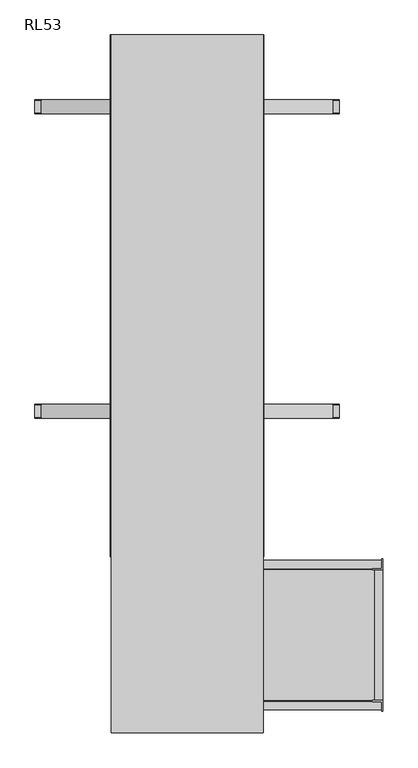
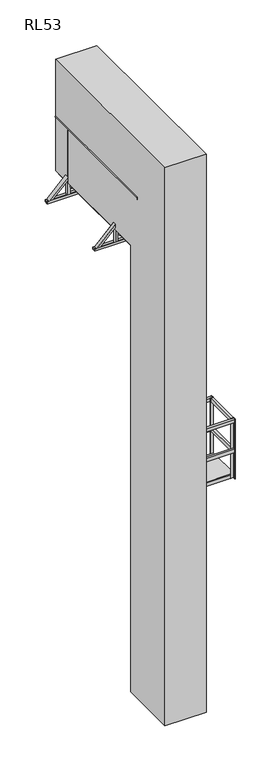
"""IFC4 building model written with IfcOpenShell, lengths in millimetres: proxy geometry, RL53."""

from ifc_helpers import new_model, si_unit, point, frame, frame_2d, origin, place, context, project, spatial, polyline, circle_curve, trimmed, segment, composite_curve, outline, extrude, faceted_brep, source, transform, mapped, element, save
from ifc_brep_helpers import plane_surface, cylinder_surface, advanced_brep


def rl53_9308b877(model_context):
    return source(origin(), model_context, "Body", "SolidModel", [
        extrude(outline(polyline([(900.5, -59.5), (900.5, -659.5), (300.5, -659.5), (300.5, -59.5), (900.5, -59.5)])), frame((0.0, 0.0, 3987.0), z_axis=(0.0, 0.0, 1.0), x_axis=(1.0, 0.0, 0.0)), (0.0, 0.0, 1.0), 13.0),
        extrude(outline(polyline([(900.5, -659.5), (862.5, -659.5), (862.5, -59.5), (900.5, -59.5), (900.5, -659.5)])), frame((0.0, 0.0, 4403.0), z_axis=(0.0, 0.0, 1.0), x_axis=(1.0, 0.0, 0.0)), (0.0, 0.0, 1.0), 58.0),
        extrude(outline(polyline([(894.5, -15.5), (894.5, -53.5), (306.5, -53.5), (306.5, -15.5), (894.5, -15.5)])), frame((0.0, 0.0, 4403.0), z_axis=(0.0, 0.0, 1.0), x_axis=(1.0, 0.0, 0.0)), (0.0, 0.0, 1.0), 58.0),
        extrude(outline(polyline([(894.5, -15.5), (894.5, -53.5), (306.5, -53.5), (306.5, -15.5), (894.5, -15.5)])), frame((0.0, 0.0, 4934.0), z_axis=(0.0, 0.0, 1.0), x_axis=(1.0, 0.0, 0.0)), (0.0, 0.0, 1.0), 58.0),
        extrude(outline(polyline([(900.5, -659.5), (862.5, -659.5), (862.5, -59.5), (900.5, -59.5), (900.5, -659.5)])), frame((0.0, 0.0, 4934.0), z_axis=(0.0, 0.0, 1.0), x_axis=(1.0, 0.0, 0.0)), (0.0, 0.0, 1.0), 58.0),
        extrude(outline(polyline([(850.5, -59.5), (850.5, -53.5), (894.5, -53.5), (894.5, -9.5), (900.5, -9.5), (900.5, -59.5), (850.5, -59.5)])), frame((0.0, 0.0, 3929.0), z_axis=(0.0, 0.0, 1.0), x_axis=(1.0, 0.0, 0.0)), (0.0, 0.0, 1.0), 1071.0),
        extrude(outline(polyline([(350.5, -659.5), (350.5, -665.5), (306.5, -665.5), (306.5, -709.5), (300.5, -709.5), (300.5, -659.5), (350.5, -659.5)])), frame((0.0, 0.0, 3929.0), z_axis=(0.0, 0.0, 1.0), x_axis=(1.0, 0.0, 0.0)), (0.0, 0.0, 1.0), 1071.0),
        extrude(outline(polyline([(850.5, -659.5), (900.5, -659.5), (900.5, -709.5), (894.5, -709.5), (894.5, -665.5), (850.5, -665.5), (850.5, -659.5)])), frame((0.0, 0.0, 3929.0), z_axis=(0.0, 0.0, 1.0), x_axis=(1.0, 0.0, 0.0)), (0.0, 0.0, 1.0), 1071.0),
        extrude(outline(polyline([(0.0, -50.0), (0.0, 0.0), (50.0, 0.0), (50.0, -5.0), (5.0, -5.0), (5.0, -50.0), (0.0, -50.0)])), frame((300.5, -9.5, 2949.0), z_axis=(0.0, -0.5466781976615285, 0.8373427901412556), x_axis=(1.0, 0.0, 0.0)), (0.0, 0.0, 1.0), 1188.9993103),
        extrude(outline(polyline([(350.5, -59.5), (300.5, -59.5), (300.5, -9.5), (306.5, -9.5), (306.5, -53.5), (350.5, -53.5), (350.5, -59.5)])), frame((0.0, 0.0, 3929.0), z_axis=(0.0, 0.0, 1.0), x_axis=(1.0, 0.0, 0.0)), (0.0, 0.0, 1.0), 1071.0),
        extrude(outline(polyline([(862.5, -59.5), (862.5, -97.5), (338.5, -97.5), (338.5, -59.5), (862.5, -59.5)])), frame((0.0, 0.0, 3929.0), z_axis=(0.0, 0.0, 1.0), x_axis=(1.0, 0.0, 0.0)), (0.0, 0.0, 1.0), 58.0),
        extrude(outline(polyline([(338.5, -659.5), (300.5, -659.5), (300.5, -59.5), (338.5, -59.5), (338.5, -659.5)])), frame((0.0, 0.0, 3929.0), z_axis=(0.0, 0.0, 1.0), x_axis=(1.0, 0.0, 0.0)), (0.0, 0.0, 1.0), 58.0),
        extrude(outline(polyline([(900.5, -659.5), (862.5, -659.5), (862.5, -59.5), (900.5, -59.5), (900.5, -659.5)])), frame((0.0, 0.0, 3929.0), z_axis=(0.0, 0.0, 1.0), x_axis=(1.0, 0.0, 0.0)), (0.0, 0.0, 1.0), 58.0),
        extrude(outline(polyline([(894.5, -621.5), (894.5, -659.5), (306.5, -659.5), (306.5, -621.5), (894.5, -621.5)])), frame((0.0, 0.0, 3929.0), z_axis=(0.0, 0.0, 1.0), x_axis=(1.0, 0.0, 0.0)), (0.0, 0.0, 1.0), 58.0),
        extrude(outline(polyline([(894.5, -665.5), (894.5, -703.5), (306.5, -703.5), (306.5, -665.5), (894.5, -665.5)])), frame((0.0, 0.0, 4403.0), z_axis=(0.0, 0.0, 1.0), x_axis=(1.0, 0.0, 0.0)), (0.0, 0.0, 1.0), 58.0),
        extrude(outline(polyline([(894.5, -665.5), (894.5, -703.5), (306.5, -703.5), (306.5, -665.5), (894.5, -665.5)])), frame((0.0, 0.0, 4934.0), z_axis=(0.0, 0.0, 1.0), x_axis=(1.0, 0.0, 0.0)), (0.0, 0.0, 1.0), 58.0),
        extrude(outline(polyline([(0.0, 2405.0), (0.0, 2347.0), (-5.0, 2347.0), (-5.0, 2400.0), (-91.0, 2400.0), (-91.0, 2405.0), (0.0, 2405.0)])), frame((-262.5, 0.0, 0.0), z_axis=(1.0, 0.0, 0.0), x_axis=(0.0, 1.0, 0.0)), (0.0, 0.0, 1.0), 525.0),
        extrude(outline(polyline([(262.5, -93.0), (-262.5, -93.0), (-262.5, -91.0), (262.5, -91.0), (262.5, -93.0)])), frame((0.0, 0.0, 110.0), z_axis=(0.0, 0.0, 1.0), x_axis=(1.0, 0.0, 0.0)), (0.0, 0.0, 1.0), 2295.0),
        extrude(outline(polyline([(262.5, -91.0), (204.5, -91.0), (204.5, -53.0), (262.5, -53.0), (262.5, -91.0)])), frame((0.0, 0.0, 110.0), z_axis=(0.0, 0.0, 1.0), x_axis=(1.0, 0.0, 0.0)), (0.0, 0.0, 1.0), 2285.0),
        extrude(outline(polyline([(-204.5, -91.0), (-262.5, -91.0), (-262.5, -53.0), (-204.5, -53.0), (-204.5, -91.0)])), frame((0.0, 0.0, 110.0), z_axis=(0.0, 0.0, 1.0), x_axis=(1.0, 0.0, 0.0)), (0.0, 0.0, 1.0), 2285.0),
        extrude(outline(composite_curve([segment(polyline([(-53.0, 7679.3703704), (-53.0, 7696.3703704)]), True, "CONTINUOUS"), segment(trimmed(circle_curve(frame_2d((-30.5, 7683.3992165)), 25.9711538), [point((-53.0, 7696.3703704))], [point((-8.0, 7696.3703704))], False, "CARTESIAN"), True, "CONTINUOUS"), segment(polyline([(-8.0, 7696.3703704), (-8.0, 7679.3703704), (-53.0, 7679.3703704)]), True, "CONTINUOUS")], self_intersect=False)), frame((-262.0, 0.0, 0.0), z_axis=(1.0, 0.0, 0.0), x_axis=(0.0, 1.0, 0.0)), (0.0, 0.0, 1.0), 524.0),
        extrude(outline(composite_curve([segment(polyline([(-53.0, 7388.7407407), (-53.0, 7405.7407407)]), True, "CONTINUOUS"), segment(trimmed(circle_curve(frame_2d((-30.5, 7392.7695869)), 25.9711538), [point((-53.0, 7405.7407407))], [point((-8.0, 7405.7407407))], False, "CARTESIAN"), True, "CONTINUOUS"), segment(polyline([(-8.0, 7405.7407407), (-8.0, 7388.7407407), (-53.0, 7388.7407407)]), True, "CONTINUOUS")], self_intersect=False)), frame((-262.0, 0.0, 0.0), z_axis=(1.0, 0.0, 0.0), x_axis=(0.0, 1.0, 0.0)), (0.0, 0.0, 1.0), 524.0),
        extrude(outline(composite_curve([segment(polyline([(-53.0, 7098.1111111), (-53.0, 7115.1111111)]), True, "CONTINUOUS"), segment(trimmed(circle_curve(frame_2d((-30.5, 7102.1399573)), 25.9711538), [point((-53.0, 7115.1111111))], [point((-8.0, 7115.1111111))], False, "CARTESIAN"), True, "CONTINUOUS"), segment(polyline([(-8.0, 7115.1111111), (-8.0, 7098.1111111), (-53.0, 7098.1111111)]), True, "CONTINUOUS")], self_intersect=False)), frame((-262.0, 0.0, 0.0), z_axis=(1.0, 0.0, 0.0), x_axis=(0.0, 1.0, 0.0)), (0.0, 0.0, 1.0), 524.0),
        extrude(outline(composite_curve([segment(polyline([(-53.0, 6807.4814815), (-53.0, 6824.4814815)]), True, "CONTINUOUS"), segment(trimmed(circle_curve(frame_2d((-30.5, 6811.5103276)), 25.9711538), [point((-53.0, 6824.4814815))], [point((-8.0, 6824.4814815))], False, "CARTESIAN"), True, "CONTINUOUS"), segment(polyline([(-8.0, 6824.4814815), (-8.0, 6807.4814815), (-53.0, 6807.4814815)]), True, "CONTINUOUS")], self_intersect=False)), frame((-262.0, 0.0, 0.0), z_axis=(1.0, 0.0, 0.0), x_axis=(0.0, 1.0, 0.0)), (0.0, 0.0, 1.0), 524.0),
        extrude(outline(composite_curve([segment(polyline([(-53.0, 6516.8518519), (-53.0, 6533.8518519)]), True, "CONTINUOUS"), segment(trimmed(circle_curve(frame_2d((-30.5, 6520.880698)), 25.9711538), [point((-53.0, 6533.8518519))], [point((-8.0, 6533.8518519))], False, "CARTESIAN"), True, "CONTINUOUS"), segment(polyline([(-8.0, 6533.8518519), (-8.0, 6516.8518519), (-53.0, 6516.8518519)]), True, "CONTINUOUS")], self_intersect=False)), frame((-262.0, 0.0, 0.0), z_axis=(1.0, 0.0, 0.0), x_axis=(0.0, 1.0, 0.0)), (0.0, 0.0, 1.0), 524.0),
        extrude(outline(composite_curve([segment(polyline([(-53.0, 6226.2222222), (-53.0, 6243.2222222)]), True, "CONTINUOUS"), segment(trimmed(circle_curve(frame_2d((-30.5, 6230.2510684)), 25.9711538), [point((-53.0, 6243.2222222))], [point((-8.0, 6243.2222222))], False, "CARTESIAN"), True, "CONTINUOUS"), segment(polyline([(-8.0, 6243.2222222), (-8.0, 6226.2222222), (-53.0, 6226.2222222)]), True, "CONTINUOUS")], self_intersect=False)), frame((-262.0, 0.0, 0.0), z_axis=(1.0, 0.0, 0.0), x_axis=(0.0, 1.0, 0.0)), (0.0, 0.0, 1.0), 524.0),
        extrude(outline(composite_curve([segment(polyline([(-53.0, 5935.5925926), (-53.0, 5952.5925926)]), True, "CONTINUOUS"), segment(trimmed(circle_curve(frame_2d((-30.5, 5939.6214387)), 25.9711538), [point((-53.0, 5952.5925926))], [point((-8.0, 5952.5925926))], False, "CARTESIAN"), True, "CONTINUOUS"), segment(polyline([(-8.0, 5952.5925926), (-8.0, 5935.5925926), (-53.0, 5935.5925926)]), True, "CONTINUOUS")], self_intersect=False)), frame((-262.0, 0.0, 0.0), z_axis=(1.0, 0.0, 0.0), x_axis=(0.0, 1.0, 0.0)), (0.0, 0.0, 1.0), 524.0),
        extrude(outline(composite_curve([segment(polyline([(-53.0, 5644.962963), (-53.0, 5661.962963)]), True, "CONTINUOUS"), segment(trimmed(circle_curve(frame_2d((-30.5, 5648.9918091)), 25.9711538), [point((-53.0, 5661.962963))], [point((-8.0, 5661.962963))], False, "CARTESIAN"), True, "CONTINUOUS"), segment(polyline([(-8.0, 5661.962963), (-8.0, 5644.962963), (-53.0, 5644.962963)]), True, "CONTINUOUS")], self_intersect=False)), frame((-262.0, 0.0, 0.0), z_axis=(1.0, 0.0, 0.0), x_axis=(0.0, 1.0, 0.0)), (0.0, 0.0, 1.0), 524.0),
        extrude(outline(composite_curve([segment(polyline([(-53.0, 5354.3333333), (-53.0, 5371.3333333)]), True, "CONTINUOUS"), segment(trimmed(circle_curve(frame_2d((-30.5, 5358.3621795)), 25.9711538), [point((-53.0, 5371.3333333))], [point((-8.0, 5371.3333333))], False, "CARTESIAN"), True, "CONTINUOUS"), segment(polyline([(-8.0, 5371.3333333), (-8.0, 5354.3333333), (-53.0, 5354.3333333)]), True, "CONTINUOUS")], self_intersect=False)), frame((-262.0, 0.0, 0.0), z_axis=(1.0, 0.0, 0.0), x_axis=(0.0, 1.0, 0.0)), (0.0, 0.0, 1.0), 524.0),
        extrude(outline(composite_curve([segment(polyline([(-53.0, 5063.7037037), (-53.0, 5080.7037037)]), True, "CONTINUOUS"), segment(trimmed(circle_curve(frame_2d((-30.5, 5067.7325499)), 25.9711538), [point((-53.0, 5080.7037037))], [point((-8.0, 5080.7037037))], False, "CARTESIAN"), True, "CONTINUOUS"), segment(polyline([(-8.0, 5080.7037037), (-8.0, 5063.7037037), (-53.0, 5063.7037037)]), True, "CONTINUOUS")], self_intersect=False)), frame((-262.0, 0.0, 0.0), z_axis=(1.0, 0.0, 0.0), x_axis=(0.0, 1.0, 0.0)), (0.0, 0.0, 1.0), 524.0),
        extrude(outline(composite_curve([segment(polyline([(-53.0, 4773.0740741), (-53.0, 4790.0740741)]), True, "CONTINUOUS"), segment(trimmed(circle_curve(frame_2d((-30.5, 4777.1029202)), 25.9711538), [point((-53.0, 4790.0740741))], [point((-8.0, 4790.0740741))], False, "CARTESIAN"), True, "CONTINUOUS"), segment(polyline([(-8.0, 4790.0740741), (-8.0, 4773.0740741), (-53.0, 4773.0740741)]), True, "CONTINUOUS")], self_intersect=False)), frame((-262.0, 0.0, 0.0), z_axis=(1.0, 0.0, 0.0), x_axis=(0.0, 1.0, 0.0)), (0.0, 0.0, 1.0), 524.0),
        extrude(outline(composite_curve([segment(polyline([(-53.0, 4482.4444444), (-53.0, 4499.4444444)]), True, "CONTINUOUS"), segment(trimmed(circle_curve(frame_2d((-30.5, 4486.4732906)), 25.9711538), [point((-53.0, 4499.4444444))], [point((-8.0, 4499.4444444))], False, "CARTESIAN"), True, "CONTINUOUS"), segment(polyline([(-8.0, 4499.4444444), (-8.0, 4482.4444444), (-53.0, 4482.4444444)]), True, "CONTINUOUS")], self_intersect=False)), frame((-262.0, 0.0, 0.0), z_axis=(1.0, 0.0, 0.0), x_axis=(0.0, 1.0, 0.0)), (0.0, 0.0, 1.0), 524.0),
        extrude(outline(composite_curve([segment(polyline([(-53.0, 4191.8148148), (-53.0, 4208.8148148)]), True, "CONTINUOUS"), segment(trimmed(circle_curve(frame_2d((-30.5, 4195.843661)), 25.9711538), [point((-53.0, 4208.8148148))], [point((-8.0, 4208.8148148))], False, "CARTESIAN"), True, "CONTINUOUS"), segment(polyline([(-8.0, 4208.8148148), (-8.0, 4191.8148148), (-53.0, 4191.8148148)]), True, "CONTINUOUS")], self_intersect=False)), frame((-262.0, 0.0, 0.0), z_axis=(1.0, 0.0, 0.0), x_axis=(0.0, 1.0, 0.0)), (0.0, 0.0, 1.0), 524.0),
        extrude(outline(composite_curve([segment(polyline([(-53.0, 3901.1851852), (-53.0, 3918.1851852)]), True, "CONTINUOUS"), segment(trimmed(circle_curve(frame_2d((-30.5, 3905.2140313)), 25.9711538), [point((-53.0, 3918.1851852))], [point((-8.0, 3918.1851852))], False, "CARTESIAN"), True, "CONTINUOUS"), segment(polyline([(-8.0, 3918.1851852), (-8.0, 3901.1851852), (-53.0, 3901.1851852)]), True, "CONTINUOUS")], self_intersect=False)), frame((-262.0, 0.0, 0.0), z_axis=(1.0, 0.0, 0.0), x_axis=(0.0, 1.0, 0.0)), (0.0, 0.0, 1.0), 524.0),
        extrude(outline(composite_curve([segment(polyline([(-53.0, 3610.5555556), (-53.0, 3627.5555556)]), True, "CONTINUOUS"), segment(trimmed(circle_curve(frame_2d((-30.5, 3614.5844017)), 25.9711538), [point((-53.0, 3627.5555556))], [point((-8.0, 3627.5555556))], False, "CARTESIAN"), True, "CONTINUOUS"), segment(polyline([(-8.0, 3627.5555556), (-8.0, 3610.5555556), (-53.0, 3610.5555556)]), True, "CONTINUOUS")], self_intersect=False)), frame((-262.0, 0.0, 0.0), z_axis=(1.0, 0.0, 0.0), x_axis=(0.0, 1.0, 0.0)), (0.0, 0.0, 1.0), 524.0),
        extrude(outline(composite_curve([segment(polyline([(-53.0, 3319.9259259), (-53.0, 3336.9259259)]), True, "CONTINUOUS"), segment(trimmed(circle_curve(frame_2d((-30.5, 3323.9547721)), 25.9711538), [point((-53.0, 3336.9259259))], [point((-8.0, 3336.9259259))], False, "CARTESIAN"), True, "CONTINUOUS"), segment(polyline([(-8.0, 3336.9259259), (-8.0, 3319.9259259), (-53.0, 3319.9259259)]), True, "CONTINUOUS")], self_intersect=False)), frame((-262.0, 0.0, 0.0), z_axis=(1.0, 0.0, 0.0), x_axis=(0.0, 1.0, 0.0)), (0.0, 0.0, 1.0), 524.0),
        extrude(outline(composite_curve([segment(polyline([(-53.0, 3029.2962963), (-53.0, 3046.2962963)]), True, "CONTINUOUS"), segment(trimmed(circle_curve(frame_2d((-30.5, 3033.3251425)), 25.9711538), [point((-53.0, 3046.2962963))], [point((-8.0, 3046.2962963))], False, "CARTESIAN"), True, "CONTINUOUS"), segment(polyline([(-8.0, 3046.2962963), (-8.0, 3029.2962963), (-53.0, 3029.2962963)]), True, "CONTINUOUS")], self_intersect=False)), frame((-262.0, 0.0, 0.0), z_axis=(1.0, 0.0, 0.0), x_axis=(0.0, 1.0, 0.0)), (0.0, 0.0, 1.0), 524.0),
        extrude(outline(composite_curve([segment(polyline([(-53.0, 2738.6666667), (-53.0, 2755.6666667)]), True, "CONTINUOUS"), segment(trimmed(circle_curve(frame_2d((-30.5, 2742.6955128)), 25.9711538), [point((-53.0, 2755.6666667))], [point((-8.0, 2755.6666667))], False, "CARTESIAN"), True, "CONTINUOUS"), segment(polyline([(-8.0, 2755.6666667), (-8.0, 2738.6666667), (-53.0, 2738.6666667)]), True, "CONTINUOUS")], self_intersect=False)), frame((-262.0, 0.0, 0.0), z_axis=(1.0, 0.0, 0.0), x_axis=(0.0, 1.0, 0.0)), (0.0, 0.0, 1.0), 524.0),
        extrude(outline(composite_curve([segment(polyline([(-53.0, 2448.037037), (-53.0, 2465.037037)]), True, "CONTINUOUS"), segment(trimmed(circle_curve(frame_2d((-30.5, 2452.0658832)), 25.9711538), [point((-53.0, 2465.037037))], [point((-8.0, 2465.037037))], False, "CARTESIAN"), True, "CONTINUOUS"), segment(polyline([(-8.0, 2465.037037), (-8.0, 2448.037037), (-53.0, 2448.037037)]), True, "CONTINUOUS")], self_intersect=False)), frame((-262.0, 0.0, 0.0), z_axis=(1.0, 0.0, 0.0), x_axis=(0.0, 1.0, 0.0)), (0.0, 0.0, 1.0), 524.0),
        extrude(outline(composite_curve([segment(polyline([(-53.0, 2157.4074074), (-53.0, 2174.4074074)]), True, "CONTINUOUS"), segment(trimmed(circle_curve(frame_2d((-30.5, 2161.4362536)), 25.9711538), [point((-53.0, 2174.4074074))], [point((-8.0, 2174.4074074))], False, "CARTESIAN"), True, "CONTINUOUS"), segment(polyline([(-8.0, 2174.4074074), (-8.0, 2157.4074074), (-53.0, 2157.4074074)]), True, "CONTINUOUS")], self_intersect=False)), frame((-262.0, 0.0, 0.0), z_axis=(1.0, 0.0, 0.0), x_axis=(0.0, 1.0, 0.0)), (0.0, 0.0, 1.0), 524.0),
        extrude(outline(composite_curve([segment(polyline([(-53.0, 1866.7777778), (-53.0, 1883.7777778)]), True, "CONTINUOUS"), segment(trimmed(circle_curve(frame_2d((-30.5, 1870.8066239)), 25.9711538), [point((-53.0, 1883.7777778))], [point((-8.0, 1883.7777778))], False, "CARTESIAN"), True, "CONTINUOUS"), segment(polyline([(-8.0, 1883.7777778), (-8.0, 1866.7777778), (-53.0, 1866.7777778)]), True, "CONTINUOUS")], self_intersect=False)), frame((-262.0, 0.0, 0.0), z_axis=(1.0, 0.0, 0.0), x_axis=(0.0, 1.0, 0.0)), (0.0, 0.0, 1.0), 524.0),
        extrude(outline(composite_curve([segment(polyline([(-53.0, 1576.1481481), (-53.0, 1593.1481481)]), True, "CONTINUOUS"), segment(trimmed(circle_curve(frame_2d((-30.5, 1580.1769943)), 25.9711538), [point((-53.0, 1593.1481481))], [point((-8.0, 1593.1481481))], False, "CARTESIAN"), True, "CONTINUOUS"), segment(polyline([(-8.0, 1593.1481481), (-8.0, 1576.1481481), (-53.0, 1576.1481481)]), True, "CONTINUOUS")], self_intersect=False)), frame((-262.0, 0.0, 0.0), z_axis=(1.0, 0.0, 0.0), x_axis=(0.0, 1.0, 0.0)), (0.0, 0.0, 1.0), 524.0),
        extrude(outline(composite_curve([segment(polyline([(-53.0, 1285.5185185), (-53.0, 1302.5185185)]), True, "CONTINUOUS"), segment(trimmed(circle_curve(frame_2d((-30.5, 1289.5473647)), 25.9711538), [point((-53.0, 1302.5185185))], [point((-8.0, 1302.5185185))], False, "CARTESIAN"), True, "CONTINUOUS"), segment(polyline([(-8.0, 1302.5185185), (-8.0, 1285.5185185), (-53.0, 1285.5185185)]), True, "CONTINUOUS")], self_intersect=False)), frame((-262.0, 0.0, 0.0), z_axis=(1.0, 0.0, 0.0), x_axis=(0.0, 1.0, 0.0)), (0.0, 0.0, 1.0), 524.0),
        extrude(outline(composite_curve([segment(polyline([(-53.0, 994.8888889), (-53.0, 1011.8888889)]), True, "CONTINUOUS"), segment(trimmed(circle_curve(frame_2d((-30.5, 998.917735)), 25.9711538), [point((-53.0, 1011.8888889))], [point((-8.0, 1011.8888889))], False, "CARTESIAN"), True, "CONTINUOUS"), segment(polyline([(-8.0, 1011.8888889), (-8.0, 994.8888889), (-53.0, 994.8888889)]), True, "CONTINUOUS")], self_intersect=False)), frame((-262.0, 0.0, 0.0), z_axis=(1.0, 0.0, 0.0), x_axis=(0.0, 1.0, 0.0)), (0.0, 0.0, 1.0), 524.0),
        extrude(outline(composite_curve([segment(polyline([(-53.0, 704.2592593), (-53.0, 721.2592593)]), True, "CONTINUOUS"), segment(trimmed(circle_curve(frame_2d((-30.5, 708.2881054)), 25.9711538), [point((-53.0, 721.2592593))], [point((-8.0, 721.2592593))], False, "CARTESIAN"), True, "CONTINUOUS"), segment(polyline([(-8.0, 721.2592593), (-8.0, 704.2592593), (-53.0, 704.2592593)]), True, "CONTINUOUS")], self_intersect=False)), frame((-262.0, 0.0, 0.0), z_axis=(1.0, 0.0, 0.0), x_axis=(0.0, 1.0, 0.0)), (0.0, 0.0, 1.0), 524.0),
        extrude(outline(composite_curve([segment(polyline([(-53.0, 413.6296296), (-53.0, 430.6296296)]), True, "CONTINUOUS"), segment(trimmed(circle_curve(frame_2d((-30.5, 417.6584758)), 25.9711538), [point((-53.0, 430.6296296))], [point((-8.0, 430.6296296))], False, "CARTESIAN"), True, "CONTINUOUS"), segment(polyline([(-8.0, 430.6296296), (-8.0, 413.6296296), (-53.0, 413.6296296)]), True, "CONTINUOUS")], self_intersect=False)), frame((-262.0, 0.0, 0.0), z_axis=(1.0, 0.0, 0.0), x_axis=(0.0, 1.0, 0.0)), (0.0, 0.0, 1.0), 524.0),
        extrude(outline(composite_curve([segment(polyline([(-53.0, 7970.0), (-53.0, 7987.0)]), True, "CONTINUOUS"), segment(trimmed(circle_curve(frame_2d((-30.5, 7974.0288462)), 25.9711538), [point((-53.0, 7987.0))], [point((-8.0, 7987.0))], False, "CARTESIAN"), True, "CONTINUOUS"), segment(polyline([(-8.0, 7987.0), (-8.0, 7970.0), (-53.0, 7970.0)]), True, "CONTINUOUS")], self_intersect=False)), frame((-262.0, 0.0, 0.0), z_axis=(1.0, 0.0, 0.0), x_axis=(0.0, 1.0, 0.0)), (0.0, 0.0, 1.0), 524.0),
        extrude(outline(composite_curve([segment(polyline([(-53.0, 123.0), (-53.0, 140.0)]), True, "CONTINUOUS"), segment(trimmed(circle_curve(frame_2d((-30.5, 127.0288462)), 25.9711538), [point((-53.0, 140.0))], [point((-8.0, 140.0))], False, "CARTESIAN"), True, "CONTINUOUS"), segment(polyline([(-8.0, 140.0), (-8.0, 123.0), (-53.0, 123.0)]), True, "CONTINUOUS")], self_intersect=False)), frame((-262.0, 0.0, 0.0), z_axis=(1.0, 0.0, 0.0), x_axis=(0.0, 1.0, 0.0)), (0.0, 0.0, 1.0), 524.0),
        extrude(outline(composite_curve([segment(trimmed(circle_curve(frame_2d((303.0, -194.5)), 4.0), [point((307.0, -194.5))], [point((299.0, -194.5))], False, "CARTESIAN"), True, "CONTINUOUS"), segment(trimmed(circle_curve(frame_2d((303.0, -194.5)), 4.0), [point((299.0, -194.5))], [point((307.0, -194.5))], False, "CARTESIAN"), True, "CONTINUOUS")], self_intersect=False)), frame((0.0, 0.0, 148.0), z_axis=(0.0, 0.0, 1.0), x_axis=(1.0, 0.0, 0.0)), (0.0, 0.0, 1.0), 8832.0),
        extrude(outline(polyline([(-219.5, 168.0), (-199.5, 188.0), (-59.5, 188.0), (-59.5, 108.0), (-199.5, 108.0), (-219.5, 128.0), (-219.5, 168.0)])), frame((303.0, 0.0, 0.0), z_axis=(1.0, 0.0, 0.0), x_axis=(0.0, 1.0, 0.0)), (0.0, 0.0, 1.0), 6.0),
        extrude(outline(polyline([(-219.5, 9000.0), (-199.5, 9020.0), (-59.5, 9020.0), (-59.5, 8940.0), (-199.5, 8940.0), (-219.5, 8960.0), (-219.5, 9000.0)])), frame((303.0, 0.0, 0.0), z_axis=(1.0, 0.0, 0.0), x_axis=(0.0, 1.0, 0.0)), (0.0, 0.0, 1.0), 6.0),
        extrude(outline(polyline([(300.0, -59.5), (262.0, -59.5), (262.0, -1.5), (300.0, -1.5), (300.0, -59.5)])), frame((0.0, 0.0, 3.0), z_axis=(0.0, 0.0, 1.0), x_axis=(1.0, 0.0, 0.0)), (0.0, 0.0, 1.0), 9047.0),
        extrude(outline(polyline([(-262.0, -59.5), (-300.0, -59.5), (-300.0, -1.5), (-262.0, -1.5), (-262.0, -59.5)])), frame((0.0, 0.0, 3.0), z_axis=(0.0, 0.0, 1.0), x_axis=(1.0, 0.0, 0.0)), (0.0, 0.0, 1.0), 9047.0),
        faceted_brep([(-303.5, -250.5, 0.0), (-250.5, -250.5, 0.0), (-250.5, -250.5, 3.0), (-300.5, -250.5, 3.0), (-303.5, -250.5, 3.0), (-300.5, 109.5, 3.0), (-250.5, 109.5, 3.0), (-250.5, 109.5, 0.0), (-303.5, 109.5, 0.0), (-303.5, 109.5, 3.0), (-300.5, -203.5, 50.0), (-300.5, 62.5, 50.0), (-303.5, 62.5, 50.0), (-303.5, -203.5, 50.0)], [[[0, 1, 2, 3, 4]], [[5, 6, 7, 8, 9]], [[10, 11, 12, 13]], [[8, 0, 4, 13, 12, 9]], [[1, 0, 8, 7]], [[2, 1, 7, 6]], [[3, 2, 6, 5]], [[3, 5, 11, 10]], [[5, 9, 12, 11]], [[4, 3, 10, 13]]]),
        faceted_brep([(300.5, -250.5, 3.0), (250.5, -250.5, 3.0), (250.5, -250.5, 0.0), (303.5, -250.5, 0.0), (303.5, -250.5, 3.0), (303.5, 109.5, 0.0), (250.5, 109.5, 0.0), (250.5, 109.5, 3.0), (300.5, 109.5, 3.0), (303.5, 109.5, 3.0), (303.5, 62.5, 50.0), (303.5, -203.5, 50.0), (300.5, 62.5, 50.0), (300.5, -203.5, 50.0)], [[[0, 1, 2, 3, 4]], [[5, 6, 7, 8, 9]], [[1, 0, 8, 7]], [[2, 1, 7, 6]], [[3, 2, 6, 5]], [[3, 5, 9, 10, 11, 4]], [[11, 10, 12, 13]], [[8, 0, 13, 12]], [[9, 8, 12, 10]], [[0, 4, 11, 13]]]),
        advanced_brep(
        [(309.5, 2400.0, 8486.25), (309.5, 2400.0, 8459.75), (309.5, 41.3809842, 8486.25), (309.5, 41.3809842, 8459.75), (294.5187617, 41.3809842, 8493.0)],
        [
            (0, 1),
            (1, 0, circle_curve(frame((294.5187617, 2400.0, 8473.0), z_axis=(0.0, 1.0, 0.0), x_axis=(-1.0, 0.0, 0.0)), 20.0)),
            (0, 2),
            (2, 3),
            (3, 1),
            (3, 4, circle_curve(frame((294.5187617, 41.3809842, 8473.0), z_axis=(0.0, 1.0, 0.0), x_axis=(-1.0, 0.0, 0.0)), 20.0)),
            (4, 2, circle_curve(frame((294.5187617, 41.3809842, 8473.0), z_axis=(0.0, 1.0, 0.0), x_axis=(-1.0, 0.0, 0.0)), 20.0)),
        ],
        [
            plane_surface(frame((274.5187617, 2400.0, 8473.0), z_axis=(0.0, 1.0, 0.0), x_axis=(0.0, 0.0, 1.0))),
            plane_surface(frame((309.5, 0.0, 8459.75), z_axis=(1.0, 0.0, 0.0), x_axis=(0.0, 1.0, 0.0))),
            cylinder_surface(frame((294.5187617, 2400.0, 8473.0), z_axis=(0.0, -1.0, 0.0), x_axis=(-1.0, 0.0, 0.0)), 20.0),
            plane_surface(frame((372.2487373, 41.3809842, 8000.0), z_axis=(0.0, -1.0, 0.0), x_axis=(-1.0, 0.0, 0.0))),
        ],
        [
            (0, [[1, 2]]),
            (1, [[-1, 3, 4, 5]]),
            (2, [[-2, -5, 6, 7, -3]]),
            (3, [[-4, -7, -6]]),
        ],
    ),
        advanced_brep(
        [(-309.5, 2400.0, 8486.25), (-309.5, 2400.0, 8459.75), (-309.5, 41.3809842, 8459.75), (-309.5, 41.3809842, 8486.25), (-294.5187617, 41.3809842, 8493.0)],
        [
            (0, 1, circle_curve(frame((-294.5187617, 2400.0, 8473.0), z_axis=(0.0, 1.0, 0.0), x_axis=(1.0, 0.0, 0.0)), 20.0)),
            (1, 0),
            (1, 2),
            (2, 3),
            (3, 0),
            (3, 4, circle_curve(frame((-294.5187617, 41.3809842, 8473.0), z_axis=(0.0, 1.0, 0.0), x_axis=(1.0, 0.0, 0.0)), 20.0)),
            (4, 2, circle_curve(frame((-294.5187617, 41.3809842, 8473.0), z_axis=(0.0, 1.0, 0.0), x_axis=(1.0, 0.0, 0.0)), 20.0)),
        ],
        [
            plane_surface(frame((-309.5, 2400.0, 8459.75), z_axis=(0.0, 1.0, 0.0), x_axis=(0.0, 0.0, 1.0))),
            plane_surface(frame((-309.5, 0.0, 8486.25), z_axis=(-1.0, 0.0, 0.0), x_axis=(0.0, 1.0, 0.0))),
            cylinder_surface(frame((-294.5187617, 2400.0, 8473.0), z_axis=(0.0, -1.0, 0.0), x_axis=(1.0, 0.0, 0.0)), 20.0),
            plane_surface(frame((372.2487373, 41.3809842, 8000.0), z_axis=(0.0, -1.0, 0.0), x_axis=(-1.0, 0.0, 0.0))),
        ],
        [
            (0, [[1, 2]]),
            (1, [[-2, 3, 4, 5]]),
            (2, [[-1, -5, 6, 7, -3]]),
            (3, [[-4, -7, -6]]),
        ],
    ),
        advanced_brep(
        [(307.5, 0.0, 8961.43534), (307.5, 0.0, 8943.0), (349.5, 0.0, 8943.0), (349.5, 0.0, 8961.43534), (328.5, 0.0, 9000.0), (349.5, 2400.0, 8961.43534), (349.5, 2400.0, 8943.0), (307.5, 2400.0, 8943.0), (307.5, 2400.0, 8961.43534)],
        [
            (0, 1),
            (1, 2),
            (2, 3),
            (3, 4, circle_curve(frame((328.5, 0.0, 8975.0), z_axis=(0.0, -1.0, 0.0), x_axis=(-1.0, 0.0, 0.0)), 25.0)),
            (4, 0, circle_curve(frame((328.5, 0.0, 8975.0), z_axis=(0.0, -1.0, 0.0), x_axis=(-1.0, 0.0, 0.0)), 25.0)),
            (5, 6),
            (6, 7),
            (7, 8),
            (8, 5, circle_curve(frame((328.5, 2400.0, 8975.0), z_axis=(0.0, 1.0, 0.0), x_axis=(-1.0, 0.0, 0.0)), 25.0)),
            (2, 6),
            (5, 3),
            (1, 7),
            (0, 8),
        ],
        [
            plane_surface(frame((303.5, 0.0, 8975.0), z_axis=(0.0, -1.0, 0.0), x_axis=(0.0, 0.0, -1.0))),
            plane_surface(frame((303.5, 2400.0, 8975.0), z_axis=(0.0, 1.0, 0.0), x_axis=(0.0, 0.0, 1.0))),
            plane_surface(frame((349.5, 0.0, 8943.0), z_axis=(1.0, 0.0, 0.0), x_axis=(0.0, 1.0, 0.0))),
            plane_surface(frame((307.5, 0.0, 8943.0), z_axis=(0.0, 0.0, -1.0), x_axis=(0.0, 1.0, 0.0))),
            plane_surface(frame((307.5, 0.0, 8961.43534), z_axis=(-1.0, 0.0, 0.0), x_axis=(0.0, 1.0, 0.0))),
            cylinder_surface(frame((328.5, 2400.0, 8975.0), z_axis=(0.0, -1.0, 0.0), x_axis=(-1.0, 0.0, 0.0)), 25.0),
        ],
        [
            (0, [[1, 2, 3, 4, 5]]),
            (1, [[6, 7, 8, 9]]),
            (2, [[-3, 10, -6, 11]]),
            (3, [[-2, 12, -7, -10]]),
            (4, [[-1, 13, -8, -12]]),
            (5, [[-9, -13, -5, -4, -11]]),
        ],
    ),
        advanced_brep(
        [(-349.5, 0.0, 8961.43534), (-349.5, 0.0, 8943.0), (-307.5, 0.0, 8943.0), (-307.5, 0.0, 8961.43534), (-328.5, 0.0, 9000.0), (-349.5, 2400.0, 8961.43534), (-307.5, 2400.0, 8961.43534), (-307.5, 2400.0, 8943.0), (-349.5, 2400.0, 8943.0)],
        [
            (0, 1),
            (1, 2),
            (2, 3),
            (3, 4, circle_curve(frame((-328.5, 0.0, 8975.0), z_axis=(0.0, -1.0, 0.0), x_axis=(1.0, 0.0, 0.0)), 25.0)),
            (4, 0, circle_curve(frame((-328.5, 0.0, 8975.0), z_axis=(0.0, -1.0, 0.0), x_axis=(1.0, 0.0, 0.0)), 25.0)),
            (5, 6, circle_curve(frame((-328.5, 2400.0, 8975.0), z_axis=(0.0, 1.0, 0.0), x_axis=(1.0, 0.0, 0.0)), 25.0)),
            (6, 7),
            (7, 8),
            (8, 5),
            (0, 5),
            (8, 1),
            (7, 2),
            (6, 3),
        ],
        [
            plane_surface(frame((-349.5, 0.0, 8943.0), z_axis=(0.0, -1.0, 0.0), x_axis=(0.0, 0.0, -1.0))),
            plane_surface(frame((-349.5, 2400.0, 8943.0), z_axis=(0.0, 1.0, 0.0), x_axis=(0.0, 0.0, 1.0))),
            plane_surface(frame((-349.5, 0.0, 8961.43534), z_axis=(-1.0, 0.0, 0.0), x_axis=(0.0, 1.0, 0.0))),
            plane_surface(frame((-349.5, 0.0, 8943.0), z_axis=(0.0, 0.0, -1.0), x_axis=(0.0, 1.0, 0.0))),
            plane_surface(frame((-307.5, 0.0, 8943.0), z_axis=(1.0, 0.0, 0.0), x_axis=(0.0, 1.0, 0.0))),
            cylinder_surface(frame((-328.5, 2400.0, 8975.0), z_axis=(0.0, -1.0, 0.0), x_axis=(1.0, 0.0, 0.0)), 25.0),
        ],
        [
            (0, [[1, 2, 3, 4, 5]]),
            (1, [[6, 7, 8, 9]]),
            (2, [[-1, 10, -9, 11]]),
            (3, [[-2, -11, -8, 12]]),
            (4, [[-3, -12, -7, 13]]),
            (5, [[-6, -10, -5, -4, -13]]),
        ],
    ),
        extrude(outline(polyline([(300.0, 2400.0), (300.0, 0.0), (-300.0, 0.0), (-300.0, 2400.0), (300.0, 2400.0)]), holes=[polyline([(262.0, 2362.0), (-262.0, 2362.0), (-262.0, 38.0), (262.0, 38.0), (262.0, 2362.0)])]), frame((0.0, 0.0, 7924.2375855), z_axis=(0.0, 0.0, 1.0), x_axis=(1.0, 0.0, 0.0)), (0.0, 0.0, 1.0), 57.2624145),
        extrude(outline(polyline([(699.5, 7788.0), (702.5, 7788.0), (702.5, 7750.0), (637.5, 7750.0), (637.5, 7788.0), (640.5, 7788.0), (640.5, 7753.0), (699.5, 7753.0), (699.5, 7788.0)])), frame((-700.0, 0.0, 0.0), z_axis=(1.0, 0.0, 0.0), x_axis=(0.0, 1.0, 0.0)), (0.0, 0.0, 1.0), 1400.0),
        extrude(outline(polyline([(2102.5, 7788.0), (2102.5, 7750.0), (2037.5, 7750.0), (2037.5, 7788.0), (2040.5, 7788.0), (2040.5, 7753.0), (2099.5, 7753.0), (2099.5, 7788.0), (2102.5, 7788.0)])), frame((-700.0, 0.0, 0.0), z_axis=(1.0, 0.0, 0.0), x_axis=(0.0, 1.0, 0.0)), (0.0, 0.0, 1.0), 1400.0),
        extrude(outline(polyline([(-29.0, -38.0), (-32.0, -38.0), (-32.0, 0.0), (32.0, 0.0), (32.0, -38.0), (29.0, -38.0), (29.0, -2.9999999), (-29.0, -2.9999999), (-29.0, -38.0)])), frame((670.0, 670.0, 7788.0), z_axis=(-0.7071067811865459, 0.0, 0.7071067811865492), x_axis=(0.0, -1.0, 0.0)), (0.0, 0.0, 1.0), 456.0838739),
        extrude(outline(polyline([(-29.0, 38.0), (-29.0, 2.9999999), (29.0, 2.9999999), (29.0, 38.0), (32.0, 38.0), (32.0, 0.0), (-32.0, 0.0), (-32.0, 38.0), (-29.0, 38.0)])), frame((-670.0, 670.0, 7788.0), z_axis=(0.7071067811865526, 0.0, 0.7071067811865425), x_axis=(0.0, -1.0, 0.0)), (0.0, 0.0, 1.0), 456.0838739),
        extrude(outline(polyline([(-29.0, -38.0), (-32.0, -38.0), (-32.0, 0.0), (32.0, 0.0), (32.0, -38.0), (29.0, -38.0), (29.0, -2.9999999), (-29.0, -2.9999999), (-29.0, -38.0)])), frame((670.0, 2070.0, 7788.0), z_axis=(-0.7071067811865461, 0.0, 0.7071067811865491), x_axis=(0.0, -1.0, 0.0)), (0.0, 0.0, 1.0), 456.0838739),
        extrude(outline(polyline([(-29.0, 38.0), (-29.0, 2.9999999), (29.0, 2.9999999), (29.0, 38.0), (32.0, 38.0), (32.0, 0.0), (-32.0, 0.0), (-32.0, 38.0), (-29.0, 38.0)])), frame((-670.0, 2070.0, 7788.0), z_axis=(0.7071067811865526, 0.0, 0.7071067811865425), x_axis=(0.0, -1.0, 0.0)), (0.0, 0.0, 1.0), 456.0838739),
        extrude(outline(polyline([(347.5, 699.0), (347.5, 641.0), (309.5, 641.0), (309.5, 699.0), (347.5, 699.0)])), frame((0.0, 0.0, 7753.0), z_axis=(0.0, 0.0, 1.0), x_axis=(1.0, 0.0, 0.0)), (0.0, 0.0, 1.0), 1190.0),
        extrude(outline(polyline([(347.5, 2099.0), (347.5, 2041.0), (309.5, 2041.0), (309.5, 2099.0), (347.5, 2099.0)])), frame((0.0, 0.0, 7753.0), z_axis=(0.0, 0.0, 1.0), x_axis=(1.0, 0.0, 0.0)), (0.0, 0.0, 1.0), 1190.0),
        extrude(outline(polyline([(-309.5, 2099.0), (-309.5, 2041.0), (-347.5, 2041.0), (-347.5, 2099.0), (-309.5, 2099.0)])), frame((0.0, 0.0, 7753.0), z_axis=(0.0, 0.0, 1.0), x_axis=(1.0, 0.0, 0.0)), (0.0, 0.0, 1.0), 1190.0),
        extrude(outline(polyline([(-309.5, 699.0), (-309.5, 641.0), (-347.5, 641.0), (-347.5, 699.0), (-309.5, 699.0)])), frame((0.0, 0.0, 7753.0), z_axis=(0.0, 0.0, 1.0), x_axis=(1.0, 0.0, 0.0)), (0.0, 0.0, 1.0), 1190.0),
        extrude(outline(polyline([(300.0, 2400.0), (300.0, 0.0), (-300.0, 0.0), (-300.0, 2400.0), (300.0, 2400.0)])), frame((0.0, 0.0, 7981.5), z_axis=(0.0, 0.0, 1.0), x_axis=(1.0, 0.0, 0.0)), (0.0, 0.0, 1.0), 18.5),
        extrude(outline(polyline([(0.0, -75.0156698), (0.0, 0.0), (6.0, 0.0), (6.0, -75.0156698), (0.0, -75.0156698)])), frame((300.0, 61.9987697, 7924.2375855), z_axis=(0.0, -0.22820939732088094, 0.9736120741724809), x_axis=(1.0, 0.0, 0.0)), (0.0, 0.0, 1.0), 56.5477611),
        extrude(outline(polyline([(0.0, -75.0156698), (0.0, 0.0), (6.0, 0.0), (6.0, -75.0156698), (0.0, -75.0156698)])), frame((-300.0, -11.0373922, 7907.1183047), z_axis=(0.0, -0.22820939732088089, 0.9736120741724809), x_axis=(-1.0, 0.0, 0.0)), (0.0, 0.0, 1.0), 56.5477611),
        extrude(outline(polyline([(300.0, 1990.0), (300.0, 2150.0), (309.5, 2150.0), (309.5, 1990.0), (300.0, 1990.0)])), frame((0.0, 0.0, 7920.0), z_axis=(0.0, 0.0, 1.0), x_axis=(1.0, 0.0, 0.0)), (0.0, 0.0, 1.0), 80.0),
        extrude(outline(polyline([(300.0, 590.0), (300.0, 750.0), (309.5, 750.0), (309.5, 590.0), (300.0, 590.0)])), frame((0.0, 0.0, 7920.0), z_axis=(0.0, 0.0, 1.0), x_axis=(1.0, 0.0, 0.0)), (0.0, 0.0, 1.0), 80.0),
        extrude(outline(polyline([(-300.0, 2150.0), (-300.0, 1990.0), (-309.5, 1990.0), (-309.5, 2150.0), (-300.0, 2150.0)])), frame((0.0, 0.0, 7920.0), z_axis=(0.0, 0.0, 1.0), x_axis=(1.0, 0.0, 0.0)), (0.0, 0.0, 1.0), 80.0),
        extrude(outline(polyline([(-300.0, 750.0), (-300.0, 590.0), (-309.5, 590.0), (-309.5, 750.0), (-300.0, 750.0)])), frame((0.0, 0.0, 7920.0), z_axis=(0.0, 0.0, 1.0), x_axis=(1.0, 0.0, 0.0)), (0.0, 0.0, 1.0), 80.0),
        extrude(outline(polyline([(262.0, 1831.0), (262.0, 1793.0), (-262.0, 1793.0), (-262.0, 1831.0), (262.0, 1831.0)])), frame((0.0, 0.0, 7923.5), z_axis=(0.0, 0.0, 1.0), x_axis=(1.0, 0.0, 0.0)), (0.0, 0.0, 1.0), 58.0),
        extrude(outline(polyline([(262.0, 1240.5), (262.0, 1202.5), (-262.0, 1202.5), (-262.0, 1240.5), (262.0, 1240.5)])), frame((0.0, 0.0, 7923.5), z_axis=(0.0, 0.0, 1.0), x_axis=(1.0, 0.0, 0.0)), (0.0, 0.0, 1.0), 58.0),
        extrude(outline(polyline([(262.0, 650.0), (262.0, 612.0), (-262.0, 612.0), (-262.0, 650.0), (262.0, 650.0)])), frame((0.0, 0.0, 7923.5), z_axis=(0.0, 0.0, 1.0), x_axis=(1.0, 0.0, 0.0)), (0.0, 0.0, 1.0), 58.0),
        extrude(outline(polyline([(200.0, 8000.0), (200.0, 0.0), (-809.5, 0.0), (-809.5, 10000.0), (2400.0, 10000.0), (2400.0, 8000.0), (200.0, 8000.0)])), frame((-350.0, 0.0, 0.0), z_axis=(1.0, 0.0, 0.0), x_axis=(0.0, 1.0, 0.0)), (0.0, 0.0, 1.0), 700.0),
        extrude(outline(polyline([(306.5, 200.0), (306.5, -30.5), (300.5, -30.5), (300.5, 195.0), (-300.5, 195.0), (-300.5, -30.5), (-306.5, -30.5), (-306.5, 200.0), (306.5, 200.0)])), frame((0.0, 0.0, 5493.3333333), z_axis=(0.0, 0.0, 1.0), x_axis=(1.0, 0.0, 0.0)), (0.0, 0.0, 1.0), 80.0),
        extrude(outline(polyline([(306.5, 200.0), (306.5, -30.5), (300.5, -30.5), (300.5, 195.0), (-300.5, 195.0), (-300.5, -30.5), (-306.5, -30.5), (-306.5, 200.0), (306.5, 200.0)])), frame((0.0, 0.0, 3626.6666667), z_axis=(0.0, 0.0, 1.0), x_axis=(1.0, 0.0, 0.0)), (0.0, 0.0, 1.0), 80.0),
        extrude(outline(polyline([(306.5, 200.0), (306.5, -30.5), (300.5, -30.5), (300.5, 195.0), (-300.5, 195.0), (-300.5, -30.5), (-306.5, -30.5), (-306.5, 200.0), (306.5, 200.0)])), frame((0.0, 0.0, 7360.0), z_axis=(0.0, 0.0, 1.0), x_axis=(1.0, 0.0, 0.0)), (0.0, 0.0, 1.0), 80.0),
        extrude(outline(polyline([(306.5, 200.0), (306.5, -30.5), (300.5, -30.5), (300.5, 195.0), (-300.5, 195.0), (-300.5, -30.5), (-306.5, -30.5), (-306.5, 200.0), (306.5, 200.0)])), frame((0.0, 0.0, 1760.0), z_axis=(0.0, 0.0, 1.0), x_axis=(1.0, 0.0, 0.0)), (0.0, 0.0, 1.0), 80.0),
    ])


if __name__ == "__main__":
    model = new_model("IFC4")
    model_context = context("Model", 3, world=origin())
    ifc_project = project(units=[si_unit("LENGTHUNIT", "METRE", prefix="MILLI")], contexts=[model_context])
    site = spatial("IfcSite", under=ifc_project)
    building = spatial("IfcBuilding", under=site)
    placement = place(None, origin())
    rl53_shape = rl53_9308b877(model_context)
    element("IfcBuildingElementProxy", 1, Name="RL53", ObjectType="RL53", at=placement, inside=building, context=model_context, shape_type="MappedRepresentation", body=[
        mapped(rl53_shape, transform((0.0, 0.0, 0.0), x_axis=(1.0, 0.0, 0.0), y_axis=(0.0, 1.0, 0.0), z_axis=(0.0, 0.0, 1.0))),
    ])
    save(model, "model.ifc")
